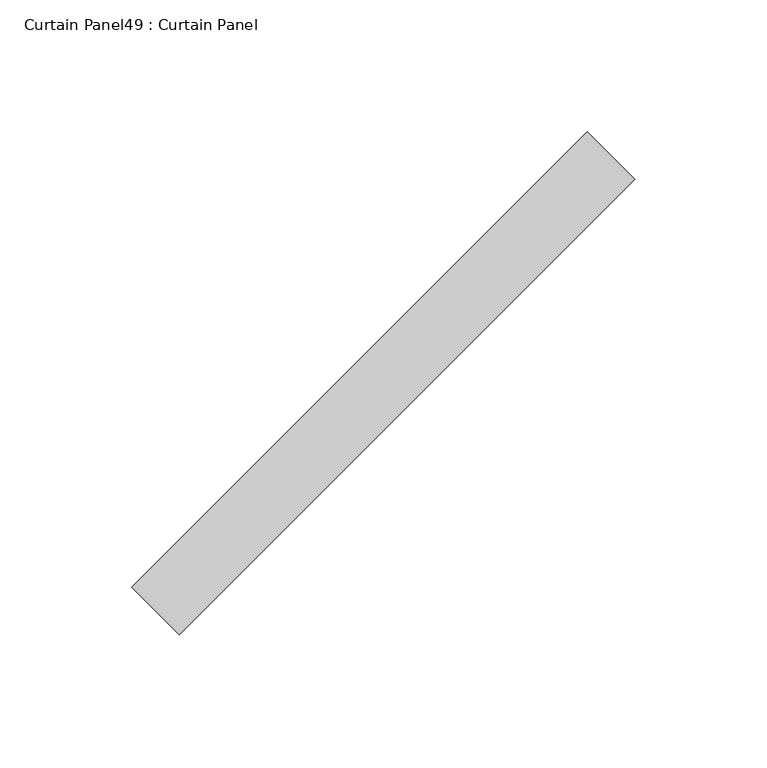
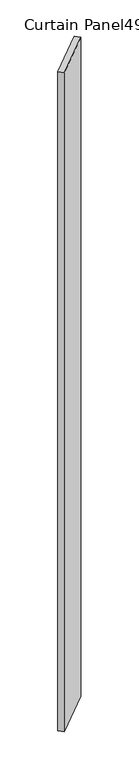
"""IFC4 building model written with IfcOpenShell, lengths in millimetres: plate geometry, Curtain Panel49 : Curtain Panel."""

from ifc_helpers import new_model, si_unit, origin, origin_with_axes, place, context, project, spatial, polyline, outline, extrude, source, transform, mapped, element, save


def curtain_panel49_curtain_panel_e47714cc(model_context):
    return source(origin(), model_context, "Body", "SweptSolid", [
        extrude(outline(polyline([(-356968.8715656, 3549.6474553), (-357141.5880621, 3376.9309588), (-357159.5485743, 3394.891471), (-356986.8320778, 3567.6079676), (-356968.8715656, 3549.6474553)])), origin_with_axes(), (0.0, 0.0, 1.0), 3048.0),
    ])


if __name__ == "__main__":
    model = new_model("IFC4")
    model_context = context("Model", 3, world=origin())
    ifc_project = project(units=[si_unit("LENGTHUNIT", "METRE", prefix="MILLI")], contexts=[model_context])
    site = spatial("IfcSite", under=ifc_project)
    building = spatial("IfcBuilding", under=site)
    placement = place(None, origin())
    curtain_panel49_curtain_panel_shape = curtain_panel49_curtain_panel_e47714cc(model_context)
    element("IfcPlate", 1, ObjectType="Curtain Panel49 : Curtain Panel", at=placement, inside=building, context=model_context, shape_type="MappedRepresentation", body=[
        mapped(curtain_panel49_curtain_panel_shape, transform((0.0, 0.0, 0.0), x_axis=(1.0, 0.0, 0.0), y_axis=(0.0, 1.0, 0.0), z_axis=(0.0, 0.0, 1.0))),
    ])
    save(model, "model.ifc")
